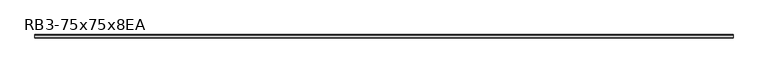
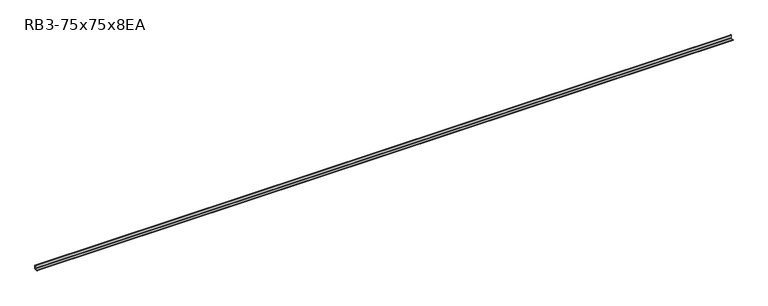
"""IFC4 building model written with IfcOpenShell, lengths in millimetres: member geometry, RB3-75x75x8EA."""

import ifcopenshell
import ifcopenshell.guid

model = None  # the IFC model being written
_history = None  # IfcOwnerHistory: only IFC2X3 demands one
_inside = {}  # id of a spatial element -> (the spatial element, [elements in it])
_under = {}  # id of a project, library or spatial element -> (it, [spatial elements below it])
_declared = {}  # id of a project -> (the project, [libraries it declares])
_typed = {}  # id of a type object -> (the type object, [elements of that type])
_made_of = {}  # id of a material, layer set ... -> (it, [elements and type objects made of it])


def new_model(schema):
    """Start an empty IFC model of exactly this schema.

    Asked for "IFC4X3", IfcOpenShell would pick the latest addendum, in which some entities
    have other attributes; the version numbers below select the first issue.
    IFC2X3 requires an IfcOwnerHistory on every rooted entity: one is made here for all.
    """
    global model, _history
    if schema == "IFC4X3":
        model = ifcopenshell.file(schema_version=(4, 3, 0, 0))
    else:
        model = ifcopenshell.file(schema=schema)
    _inside.clear()
    _under.clear()
    _declared.clear()
    _typed.clear()
    _made_of.clear()
    _history = None
    if model.schema == "IFC2X3":
        org = make("IfcOrganization", Name="unknown")
        user = make(
            "IfcPersonAndOrganization",
            ThePerson=make("IfcPerson", FamilyName="unknown"),
            TheOrganization=org,
        )
        app = make(
            "IfcApplication",
            ApplicationDeveloper=org,
            Version="unknown",
            ApplicationFullName="unknown",
            ApplicationIdentifier="unknown",
        )
        _history = make(
            "IfcOwnerHistory",
            OwningUser=user,
            OwningApplication=app,
            ChangeAction="ADDED",
            CreationDate=0,
        )
    return model


def make(cls, **values):
    """One entity of the class cls with the attributes given. An attribute that is None is left unset."""
    return model.create_entity(
        cls, **{name: value for name, value in values.items() if value is not None}
    )


def rooted(cls, **values):
    """An entity with a GlobalId (a new one), such as an element, a storey or a relation."""
    return make(cls, GlobalId=ifcopenshell.guid.new(), OwnerHistory=_history, **values)


def si_unit(unit_type, name, prefix=None):
    """IfcSIUnit, for example si_unit("LENGTHUNIT", "METRE", prefix="MILLI")."""
    return make("IfcSIUnit", UnitType=unit_type, Prefix=prefix, Name=name)


def assignment(units):
    """IfcUnitAssignment: the units of a project."""
    return None if units is None else make("IfcUnitAssignment", Units=units)


def point(xyz):
    """IfcCartesianPoint."""
    return None if xyz is None else make("IfcCartesianPoint", Coordinates=xyz)


def direction(xyz):
    """IfcDirection."""
    return None if xyz is None else make("IfcDirection", DirectionRatios=xyz)


def frame(location, z_axis=None, x_axis=None):
    """IfcAxis2Placement3D, a coordinate frame: its origin and axes. An axis left out is left unset."""
    return make(
        "IfcAxis2Placement3D",
        Location=point(location),
        Axis=direction(z_axis),
        RefDirection=direction(x_axis),
    )


def frame_2d(location, x_axis=None):
    """IfcAxis2Placement2D, a coordinate frame in the plane: its origin and x axis."""
    return make(
        "IfcAxis2Placement2D", Location=point(location), RefDirection=direction(x_axis)
    )


def origin():
    """The frame at (0, 0, 0) with its axes left unset."""
    return frame((0.0, 0.0, 0.0))


def place(relative_to, where):
    """IfcLocalPlacement: puts the frame where relative to a parent placement (None: the world)."""
    return make(
        "IfcLocalPlacement", PlacementRelTo=relative_to, RelativePlacement=where
    )


def context(
    kind, dimensions, precision=None, world=None, true_north=None, identifier=None
):
    """IfcGeometricRepresentationContext, for example the 3D "Model" context."""
    return make(
        "IfcGeometricRepresentationContext",
        ContextIdentifier=identifier,
        ContextType=kind,
        CoordinateSpaceDimension=dimensions,
        Precision=precision,
        WorldCoordinateSystem=world,
        TrueNorth=true_north,
    )


def project(units=None, contexts=None):
    """IfcProject with its units and contexts."""
    return rooted(
        "IfcProject",
        Name="project",
        RepresentationContexts=contexts,
        UnitsInContext=assignment(units),
    )


def spatial(cls, under=None, at=None, **own):
    """A site, building, storey or space (cls), placed at a placement, below another one or the project."""
    s = rooted(cls, ObjectPlacement=at, **own)
    if under is not None:
        _under.setdefault(under.id(), (under, []))[1].append(s)
    return s


def polyline(points):
    """IfcPolyline through the points."""
    return make("IfcPolyline", Points=[point(p) for p in points])


def circle_curve(where, radius):
    """IfcCircle in the frame where."""
    return make("IfcCircle", Position=where, Radius=radius)


def trimmed(basis, trim1, trim2, sense, master):
    """IfcTrimmedCurve: the piece of a basis curve between two trims."""
    return make(
        "IfcTrimmedCurve",
        BasisCurve=basis,
        Trim1=trim1,
        Trim2=trim2,
        SenseAgreement=sense,
        MasterRepresentation=master,
    )


def segment(curve, same_sense, transition):
    """IfcCompositeCurveSegment."""
    return make(
        "IfcCompositeCurveSegment",
        Transition=transition,
        SameSense=same_sense,
        ParentCurve=curve,
    )


def composite_curve(segments, self_intersect=None):
    """IfcCompositeCurve: segments joined end to end."""
    return make("IfcCompositeCurve", Segments=segments, SelfIntersect=self_intersect)


def outline(outer, holes=None, kind="AREA"):
    """IfcArbitraryClosedProfileDef: a profile drawn as a closed curve; with holes, ...WithVoids."""
    if holes is None:
        return make("IfcArbitraryClosedProfileDef", ProfileType=kind, OuterCurve=outer)
    return make(
        "IfcArbitraryProfileDefWithVoids",
        ProfileType=kind,
        OuterCurve=outer,
        InnerCurves=holes,
    )


def extrude(swept, where, along, depth):
    """IfcExtrudedAreaSolid: the profile swept, set in the frame where, extruded along a direction by depth."""
    return make(
        "IfcExtrudedAreaSolid",
        SweptArea=swept,
        Position=where,
        ExtrudedDirection=direction(along),
        Depth=depth,
    )


def shape(context_of_items, identifier, shape_type, items):
    """IfcShapeRepresentation: the items that make up one representation, for example the "Body"."""
    return make(
        "IfcShapeRepresentation",
        ContextOfItems=context_of_items,
        RepresentationIdentifier=identifier,
        RepresentationType=shape_type,
        Items=items,
    )


def source(mapping_origin, context_of_items, identifier, shape_type, items):
    """IfcRepresentationMap: a shape defined once, which mapped items show again and again."""
    return make(
        "IfcRepresentationMap",
        MappingOrigin=mapping_origin,
        MappedRepresentation=shape(context_of_items, identifier, shape_type, items),
    )


def transform(
    local_origin,
    x_axis=None,
    y_axis=None,
    z_axis=None,
    scale=None,
    scale2=None,
    scale3=None,
    uniform=True,
):
    """IfcCartesianTransformationOperator3D, or its non-uniform kind. x_axis, y_axis, z_axis: its Axis1, 2, 3."""
    if uniform:
        return make(
            "IfcCartesianTransformationOperator3D",
            Axis1=direction(x_axis),
            Axis2=direction(y_axis),
            LocalOrigin=point(local_origin),
            Scale=scale,
            Axis3=direction(z_axis),
        )
    return make(
        "IfcCartesianTransformationOperator3DnonUniform",
        Axis1=direction(x_axis),
        Axis2=direction(y_axis),
        LocalOrigin=point(local_origin),
        Scale=scale,
        Axis3=direction(z_axis),
        Scale2=scale2,
        Scale3=scale3,
    )


def mapped(mapping_source, mapping_target):
    """IfcMappedItem: shows the shape of a source again, moved by a transform."""
    return make(
        "IfcMappedItem", MappingSource=mapping_source, MappingTarget=mapping_target
    )


def made_of(thing, what):
    """Note that an element or type object is made of a material, layer set ...; save() writes the relation."""
    if what is not None:
        _made_of.setdefault(what.id(), (what, []))[1].append(thing)
    return thing


def element(
    cls,
    number,
    at=None,
    inside=None,
    cuts=None,
    type_object=None,
    material=None,
    context=None,
    identifier="Body",
    shape_type=None,
    held_by="IfcProductDefinitionShape",
    body=None,
    shapes=None,
    **own,
):
    """One element of the class cls, such as IfcWall. Its Tag is "e" and its number.

    at: its placement. inside: the storey or other place that contains it. cuts: it is an
    opening in that element (IfcRelVoidsElement). A single representation is given by context,
    identifier, shape_type and body (its items); several are given by shapes. held_by: the class
    of the entity that holds the representations. save() writes the other relations.
    """
    e = rooted(cls, Tag="e%d" % number, ObjectPlacement=at, **own)
    if body is not None:
        shapes = [shape(context, identifier, shape_type, body)]
    if shapes is not None:
        e.Representation = make(held_by, Representations=shapes)
    if inside is not None:
        _inside.setdefault(inside.id(), (inside, []))[1].append(e)
    if cuts is not None:
        rooted(
            "IfcRelVoidsElement", RelatingBuildingElement=cuts, RelatedOpeningElement=e
        )
    if type_object is not None:
        _typed.setdefault(type_object.id(), (type_object, []))[1].append(e)
    return made_of(e, material)


def aggregate(whole, parts):
    """IfcRelAggregates: a whole, such as a stair, and the parts it consists of."""
    return rooted("IfcRelAggregates", RelatingObject=whole, RelatedObjects=parts)


def save(model, path):
    """Write the relations noted so far, then the file.

    IfcRelAggregates (storeys below a building ...), IfcRelContainedInSpatialStructure (elements
    in a storey), IfcRelDefinesByType, IfcRelAssociatesMaterial and IfcRelDeclares: one each for
    every whole, place, type object, material and project.
    """
    for whole, parts in _under.values():
        aggregate(whole, parts)
    for where, things in _inside.values():
        rooted(
            "IfcRelContainedInSpatialStructure",
            RelatedElements=things,
            RelatingStructure=where,
        )
    for kind, things in _typed.values():
        rooted("IfcRelDefinesByType", RelatedObjects=things, RelatingType=kind)
    for what, things in _made_of.values():
        rooted("IfcRelAssociatesMaterial", RelatedObjects=things, RelatingMaterial=what)
    for by, libraries in _declared.values():
        rooted("IfcRelDeclares", RelatingContext=by, RelatedDefinitions=libraries)
    model.write(path)


def rb3_75x75x8ea_57ea9913(model_context):
    return source(origin(), model_context, "Body", "SweptSolid", [
        extrude(outline(composite_curve([segment(polyline([(21.3, -21.3), (-53.7, -21.3), (-53.7, -18.3)]), True, "CONTINUOUS"), segment(trimmed(circle_curve(frame_2d((-48.7, -18.3)), 5.0), [point((-53.7, -18.3))], [point((-48.7, -13.3))], False, "CARTESIAN"), True, "CONTINUOUS"), segment(polyline([(-48.7, -13.3), (5.3, -13.3)]), True, "CONTINUOUS"), segment(trimmed(circle_curve(frame_2d((5.3, -5.3)), 8.0), [point((5.3, -13.3))], [point((13.3, -5.3))], True, "CARTESIAN"), True, "CONTINUOUS"), segment(polyline([(13.3, -5.3), (13.3, 48.7)]), True, "CONTINUOUS"), segment(trimmed(circle_curve(frame_2d((18.3, 48.7)), 5.0), [point((13.3, 48.7))], [point((18.3, 53.7))], False, "CARTESIAN"), True, "CONTINUOUS"), segment(polyline([(18.3, 53.7), (21.3, 53.7), (21.3, -21.3)]), True, "CONTINUOUS")], self_intersect=False)), frame((-7376.5, 0.0, 0.0), z_axis=(1.0, 0.0, 0.0), x_axis=(0.0, 1.0, 0.0)), (0.0, 0.0, 1.0), 14731.0),
    ])


if __name__ == "__main__":
    model = new_model("IFC4")
    model_context = context("Model", 3, world=origin())
    ifc_project = project(units=[si_unit("LENGTHUNIT", "METRE", prefix="MILLI")], contexts=[model_context])
    site = spatial("IfcSite", under=ifc_project)
    building = spatial("IfcBuilding", under=site)
    placement = place(None, origin())
    rb3_75x75x8ea_shape = rb3_75x75x8ea_57ea9913(model_context)
    element("IfcMember", 1, ObjectType="RB3-75x75x8EA", at=placement, inside=building, context=model_context, shape_type="MappedRepresentation", body=[
        mapped(rb3_75x75x8ea_shape, transform((0.0, 0.0, 0.0), x_axis=(1.0, 0.0, 0.0), y_axis=(0.0, 1.0, 0.0), z_axis=(0.0, 0.0, 1.0))),
    ])
    save(model, "model.ifc")
